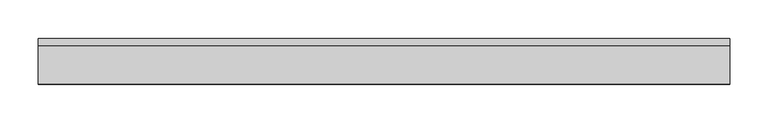
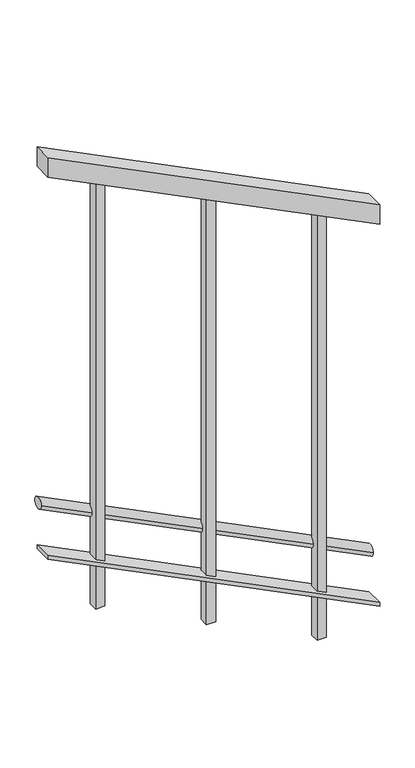
"""IFC4 building model written with IfcOpenShell, lengths in millimetres: railing geometry."""

from ifc_helpers import new_model, si_unit, frame, origin, place, context, project, spatial, polyline, ellipse_curve, outline, extrude, faceted_brep, source, transform, mapped, element, save
from ifc_brep_helpers import plane_surface, cylinder_surface, advanced_brep


def railing_85b003ab(model_context):
    return source(origin(), model_context, "Body", "SolidModel", [
        faceted_brep([(-6718.2415088, 5316.1665973, -1950.0), (-6718.2415088, 5266.1665973, -1950.0), (-6718.2415088, 5266.1665973, -2005.9016994), (-6718.2415088, 5316.1665973, -2005.9016994), (-7618.2415088, 5316.1665973, -1500.0), (-7618.2415088, 5316.1665973, -1555.9016994), (-7618.2415088, 5266.1665973, -1555.9016994), (-7618.2415088, 5266.1665973, -1500.0)], [[[0, 1, 2, 3]], [[4, 5, 6, 7]], [[1, 0, 4, 7]], [[2, 1, 7, 6]], [[3, 2, 6, 5]], [[0, 3, 5, 4]]]),
        advanced_brep(
        [(-6718.2415088, 5296.1665973, -2966.7705098), (-6718.2415088, 5326.1665973, -2966.7705098), (-7618.2415088, 5296.1665973, -2516.7705098), (-7618.2415088, 5326.1665973, -2516.7705098)],
        [
            (0, 1, ellipse_curve(frame((-6718.2415088, 5311.1665973, -2966.7705098), z_axis=(1.0, 0.0, 0.0), x_axis=(0.0, 0.0, -1.0)), 16.7705098, 15.0)),
            (1, 0, ellipse_curve(frame((-6718.2415088, 5311.1665973, -2966.7705098), z_axis=(1.0, 0.0, 0.0), x_axis=(0.0, 0.0, -1.0)), 16.7705098, 15.0)),
            (2, 3, ellipse_curve(frame((-7618.2415088, 5311.1665973, -2516.7705098), z_axis=(-1.0, 0.0, 0.0), x_axis=(0.0, 0.0, -1.0)), 16.7705098, 15.0)),
            (3, 2, ellipse_curve(frame((-7618.2415088, 5311.1665973, -2516.7705098), z_axis=(-1.0, 0.0, 0.0), x_axis=(0.0, 0.0, -1.0)), 16.7705098, 15.0)),
            (0, 2),
            (3, 1),
        ],
        [
            plane_surface(frame((-6718.2415088, 5311.1665973, -2950.0), z_axis=(1.0, 0.0, 0.0), x_axis=(0.0, -1.0, 0.0))),
            plane_surface(frame((-7618.2415088, 5311.1665973, -2500.0), z_axis=(-1.0, 0.0, 0.0), x_axis=(0.0, -1.0, 0.0))),
            cylinder_surface(frame((-6724.9497128, 5311.1665973, -2963.4164079), z_axis=(0.894427190999916, 0.0, -0.447213595499958), x_axis=(0.0, 1.0, 0.0)), 15.0),
        ],
        [
            (0, [[1, 2]]),
            (1, [[3, 4]]),
            (2, [[-1, 5, -4, 6]]),
            (2, [[-2, -6, -3, -5]]),
        ],
    ),
        faceted_brep([(-6718.2415088, 5316.1665973, -3090.0), (-6718.2415088, 5266.1665973, -3090.0), (-6718.2415088, 5266.1665973, -3101.1803399), (-6718.2415088, 5316.1665973, -3101.1803399), (-7618.2415088, 5316.1665973, -2640.0), (-7618.2415088, 5316.1665973, -2651.1803399), (-7618.2415088, 5266.1665973, -2651.1803399), (-7618.2415088, 5266.1665973, -2640.0)], [[[0, 1, 2, 3]], [[4, 5, 6, 7]], [[1, 0, 4, 7]], [[2, 1, 7, 6]], [[3, 2, 6, 5]], [[0, 3, 5, 4]]]),
        extrude(outline(polyline([(-2850.0, -7455.7415088), (-1637.1516994, -7455.7415088), (-1624.6516994, -7480.7415088), (-2850.0, -7480.7415088), (-2850.0, -7455.7415088)])), frame((0.0, 5278.6665973, 0.0), z_axis=(0.0, 1.0, 0.0), x_axis=(0.0, 0.0, 1.0)), (0.0, 0.0, 1.0), 25.0),
        extrude(outline(polyline([(-3000.0, -7155.7415088), (-1787.1516994, -7155.7415088), (-1774.6516994, -7180.7415088), (-3000.0, -7180.7415088), (-3000.0, -7155.7415088)])), frame((0.0, 5278.6665973, 0.0), z_axis=(0.0, 1.0, 0.0), x_axis=(0.0, 0.0, 1.0)), (0.0, 0.0, 1.0), 25.0),
        extrude(outline(polyline([(-3150.0, -6855.7415088), (-1937.1516994, -6855.7415088), (-1924.6516994, -6880.7415088), (-3150.0, -6880.7415088), (-3150.0, -6855.7415088)])), frame((0.0, 5278.6665973, 0.0), z_axis=(0.0, 1.0, 0.0), x_axis=(0.0, 0.0, 1.0)), (0.0, 0.0, 1.0), 25.0),
    ])


if __name__ == "__main__":
    model = new_model("IFC4")
    model_context = context("Model", 3, world=origin())
    ifc_project = project(units=[si_unit("LENGTHUNIT", "METRE", prefix="MILLI")], contexts=[model_context])
    site = spatial("IfcSite", under=ifc_project)
    building = spatial("IfcBuilding", under=site)
    placement = place(None, origin())
    railing_shape = railing_85b003ab(model_context)
    element("IfcRailing", 1, at=placement, inside=building, context=model_context, shape_type="MappedRepresentation", body=[
        mapped(railing_shape, transform((0.0, 0.0, 0.0), x_axis=(1.0, 0.0, 0.0), y_axis=(0.0, 1.0, 0.0), z_axis=(0.0, 0.0, 1.0))),
    ])
    save(model, "model.ifc")
